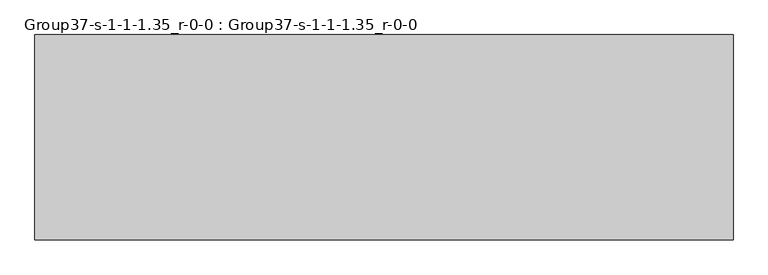
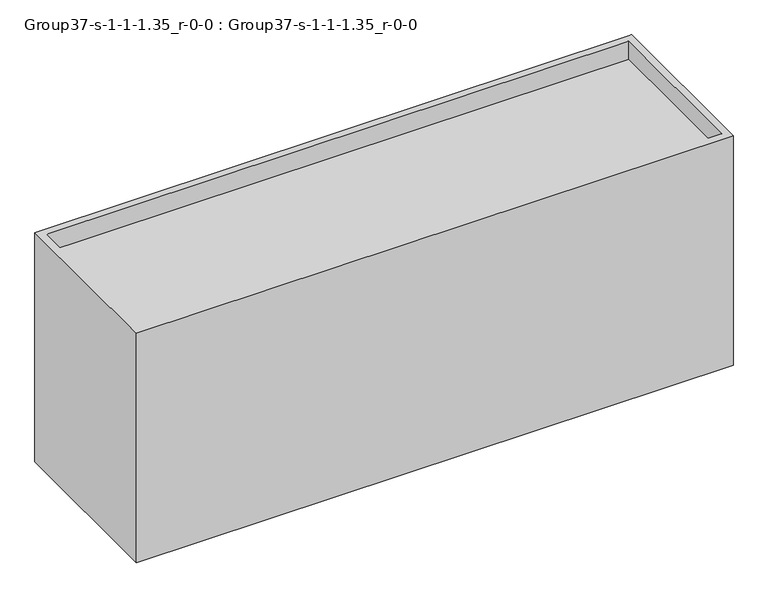
"""IFC4 building model written with IfcOpenShell, lengths in millimetres: geographic element geometry, Group37-s-1-1-1.35_r-0-0 : Group37-s-1-1-1.35_r-0-0."""

from ifc_helpers import new_model, si_unit, origin, place, context, project, spatial, triangles, source, transform, mapped, element, save


def group37_s_1_1_1_35_r_0_0_group37_s_1_1_1_35_r_0_0_dc06826d(model_context):
    return source(origin(), model_context, "Body", "Tessellation", [
        triangles([(16976.7253876, 7585.0748062, 0.0), (-8792.4749451, 0.0, 0.0), (-8792.4749451, 7585.0748062, 0.0), (16976.7253876, 0.0, 0.0), (16976.7253876, 0.0, 10472.8549347), (16976.7253876, 7585.0748062, 10472.8549347), (16671.9253876, 7280.2748062, 10472.8549347), (16671.9253876, 304.8, 9649.8952835), (16671.9253876, 304.8, 10472.8549347), (16671.9253876, 7280.2748062, 9649.8952835), (-8792.4749451, 7585.0748062, 10472.8549347), (-8792.4749451, 0.0, 10472.8549347), (-8487.6749451, 304.8, 10472.8549347), (-8487.6749451, 304.8, 9649.8952835), (-8487.6749451, 7280.2748062, 9649.8952835), (-8487.6749451, 7280.2748062, 10472.8549347)], [[1, 2, 3], [2, 1, 4], [1, 5, 4], [5, 1, 6], [7, 8, 9], [8, 7, 10], [11, 1, 3], [1, 11, 6], [12, 3, 2], [3, 12, 11], [13, 8, 14], [8, 13, 9], [15, 13, 14], [13, 15, 16], [12, 13, 11], [13, 12, 5], [13, 5, 9], [9, 5, 7], [11, 16, 6], [16, 11, 13], [6, 16, 7], [6, 7, 5], [7, 15, 10], [15, 7, 16], [4, 12, 2], [12, 4, 5], [8, 15, 14], [15, 8, 10]]),
    ])


if __name__ == "__main__":
    model = new_model("IFC4")
    model_context = context("Model", 3, world=origin())
    ifc_project = project(units=[si_unit("LENGTHUNIT", "METRE", prefix="MILLI")], contexts=[model_context])
    site = spatial("IfcSite", under=ifc_project)
    building = spatial("IfcBuilding", under=site)
    placement = place(None, origin())
    group37_s_1_1_1_35_r_0_0_group37_s_1_1_1_35_r_0_0_shape = group37_s_1_1_1_35_r_0_0_group37_s_1_1_1_35_r_0_0_dc06826d(model_context)
    element("IfcGeographicElement", 1, ObjectType="Group37-s-1-1-1.35_r-0-0 : Group37-s-1-1-1.35_r-0-0", at=placement, inside=building, context=model_context, shape_type="MappedRepresentation", body=[
        mapped(group37_s_1_1_1_35_r_0_0_group37_s_1_1_1_35_r_0_0_shape, transform((0.0, 0.0, 0.0), x_axis=(1.0, 0.0, 0.0), y_axis=(0.0, 1.0, 0.0), z_axis=(0.0, 0.0, 1.0))),
    ])
    save(model, "model.ifc")
